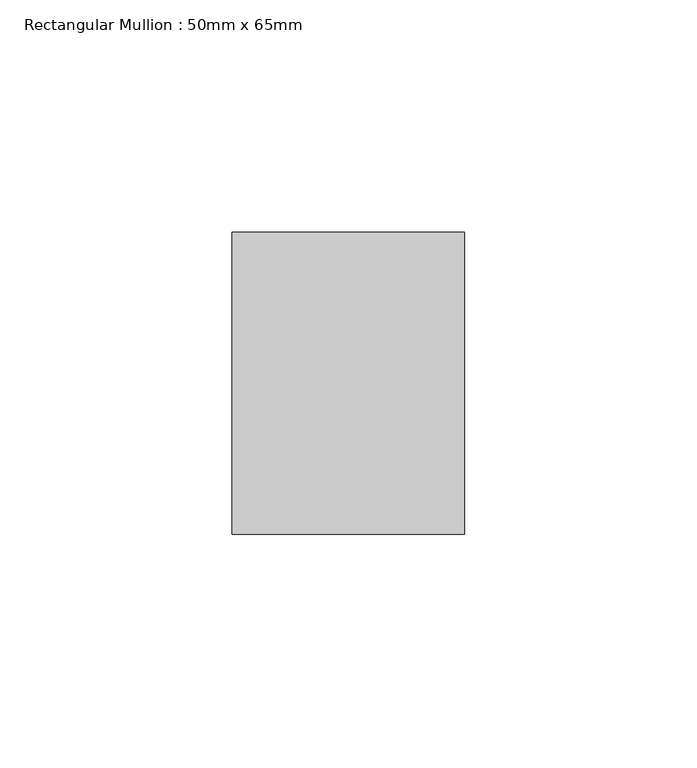
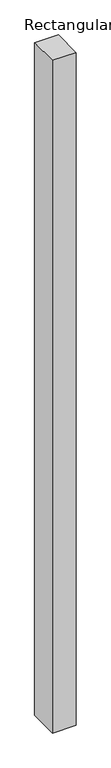
"""IFC4 building model written with IfcOpenShell, lengths in millimetres: member geometry, Rectangular Mullion : 50mm x 65mm."""

from ifc_helpers import new_model, si_unit, frame, origin, place, context, project, spatial, polyline, outline, extrude, source, transform, mapped, element, save


def rectangular_mullion_50mm_x_65mm_2d736bd3(model_context):
    return source(origin(), model_context, "Body", "SweptSolid", [
        extrude(outline(polyline([(-32.5, 0.0443374), (32.5, -0.0443374), (32.5, -1499.9019639), (-32.5, -1500.0981428), (-32.5, 0.0443374)])), frame((-25.0, 0.0, 0.0), z_axis=(1.0, 0.0, 0.0), x_axis=(0.0, 1.0, 0.0)), (0.0, 0.0, 1.0), 50.0),
    ])


if __name__ == "__main__":
    model = new_model("IFC4")
    model_context = context("Model", 3, world=origin())
    ifc_project = project(units=[si_unit("LENGTHUNIT", "METRE", prefix="MILLI")], contexts=[model_context])
    site = spatial("IfcSite", under=ifc_project)
    building = spatial("IfcBuilding", under=site)
    placement = place(None, origin())
    rectangular_mullion_50mm_x_65mm_shape = rectangular_mullion_50mm_x_65mm_2d736bd3(model_context)
    element("IfcMember", 1, ObjectType="Rectangular Mullion : 50mm x 65mm", at=placement, inside=building, context=model_context, shape_type="MappedRepresentation", body=[
        mapped(rectangular_mullion_50mm_x_65mm_shape, transform((0.0, 0.0, 0.0), x_axis=(1.0, 0.0, 0.0), y_axis=(0.0, 1.0, 0.0), z_axis=(0.0, 0.0, 1.0))),
    ])
    save(model, "model.ifc")
